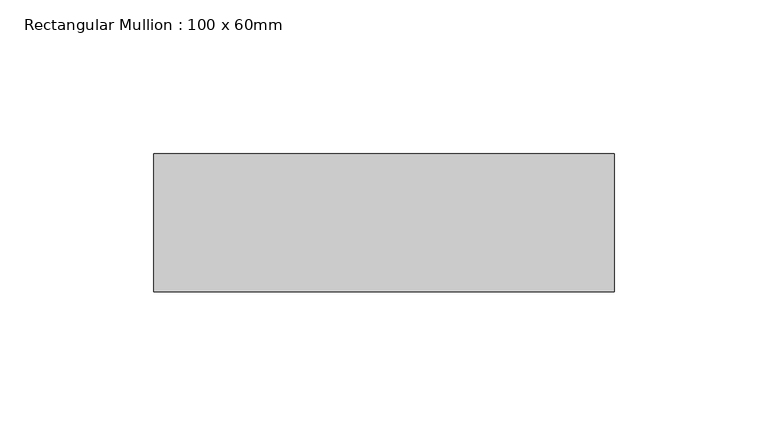
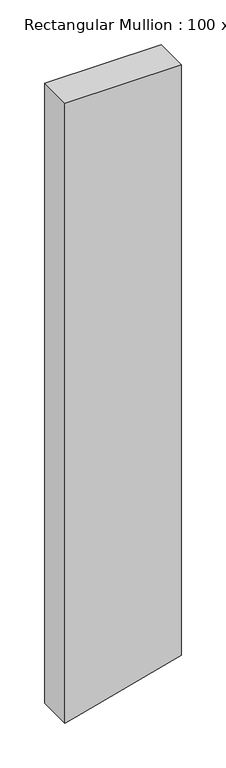
"""IFC4 building model written with IfcOpenShell, lengths in millimetres: member geometry, Rectangular Mullion : 100 x 60mm."""

from ifc_helpers import new_model, si_unit, frame, origin, place, context, project, spatial, polyline, outline, extrude, source, transform, mapped, element, save


def rectangular_mullion_100_x_60mm_98ba5d07(model_context):
    return source(origin(), model_context, "Body", "SweptSolid", [
        extrude(outline(polyline([(0.0, 75.0), (0.0, -75.0), (-845.2867733, -75.0), (-842.5281724, -64.7047613), (-805.0943944, 75.0), (0.0, 75.0)])), frame((0.0, -15.0, 0.0), z_axis=(0.0, 1.0, 0.0), x_axis=(0.0, 0.0, 1.0)), (0.0, 0.0, 1.0), 45.0),
    ])


if __name__ == "__main__":
    model = new_model("IFC4")
    model_context = context("Model", 3, world=origin())
    ifc_project = project(units=[si_unit("LENGTHUNIT", "METRE", prefix="MILLI")], contexts=[model_context])
    site = spatial("IfcSite", under=ifc_project)
    building = spatial("IfcBuilding", under=site)
    placement = place(None, origin())
    rectangular_mullion_100_x_60mm_shape = rectangular_mullion_100_x_60mm_98ba5d07(model_context)
    element("IfcMember", 1, ObjectType="Rectangular Mullion : 100 x 60mm", at=placement, inside=building, context=model_context, shape_type="MappedRepresentation", body=[
        mapped(rectangular_mullion_100_x_60mm_shape, transform((0.0, 0.0, 0.0), x_axis=(1.0, 0.0, 0.0), y_axis=(0.0, 1.0, 0.0), z_axis=(0.0, 0.0, 1.0))),
    ])
    save(model, "model.ifc")
